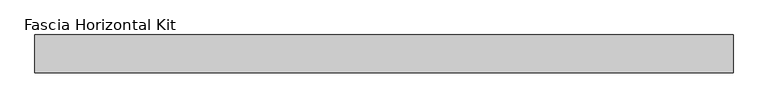
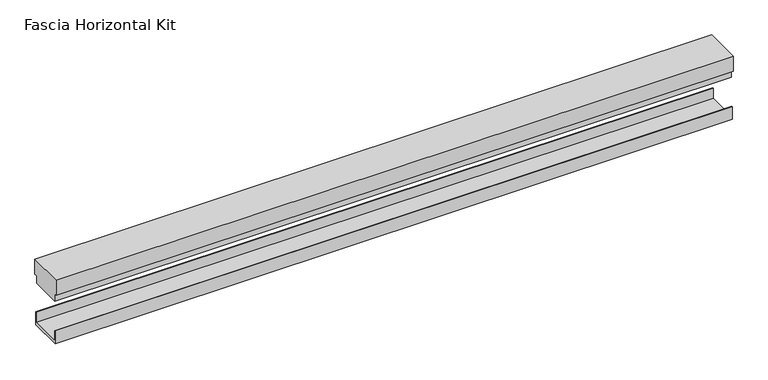
"""IFC4 building model written with IfcOpenShell, lengths in millimetres: proxy geometry, Fascia Horizontal Kit."""

from ifc_helpers import new_model, si_unit, frame, origin, place, context, project, spatial, polyline, outline, extrude, source, transform, mapped, element, save


def fascia_horizontal_kit_7a9b52f6(model_context):
    return source(origin(), model_context, "Body", "SweptSolid", [
        extrude(outline(polyline([(94.0992263, 4.58724), (94.0992263, 23.2156), (95.2574663, 23.2156), (95.2574663, 0.0), (37.2438663, 0.0), (37.2438663, 23.2156), (38.4021063, 23.2156), (38.4021063, 4.58724), (94.0992263, 4.58724)])), frame((-691.9808602, 0.0, 0.0), z_axis=(1.0, 0.0, 0.0), x_axis=(0.0, 1.0, 0.0)), (0.0, 0.0, 1.0), 1183.2769982),
        extrude(outline(polyline([(98.4324663, 119.029), (98.4324663, 91.029), (93.5466663, 91.029), (93.5466663, 77.0336001), (38.9546663, 77.0336001), (38.9546663, 91.029), (34.0688663, 91.029), (34.0688663, 119.029), (98.4324663, 119.029)])), frame((-691.9808602, 0.0, 0.0), z_axis=(1.0, 0.0, 0.0), x_axis=(0.0, 1.0, 0.0)), (0.0, 0.0, 1.0), 1183.2769982),
    ])


if __name__ == "__main__":
    model = new_model("IFC4")
    model_context = context("Model", 3, world=origin())
    ifc_project = project(units=[si_unit("LENGTHUNIT", "METRE", prefix="MILLI")], contexts=[model_context])
    site = spatial("IfcSite", under=ifc_project)
    building = spatial("IfcBuilding", under=site)
    placement = place(None, origin())
    fascia_horizontal_kit_shape = fascia_horizontal_kit_7a9b52f6(model_context)
    element("IfcBuildingElementProxy", 1, Name="Fascia Horizontal Kit", ObjectType="Fascia Horizontal Kit", at=placement, inside=building, context=model_context, shape_type="MappedRepresentation", body=[
        mapped(fascia_horizontal_kit_shape, transform((0.0, 0.0, 0.0), x_axis=(1.0, 0.0, 0.0), y_axis=(0.0, 1.0, 0.0), z_axis=(0.0, 0.0, 1.0))),
    ])
    save(model, "model.ifc")
